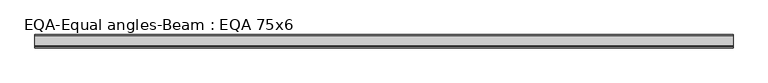
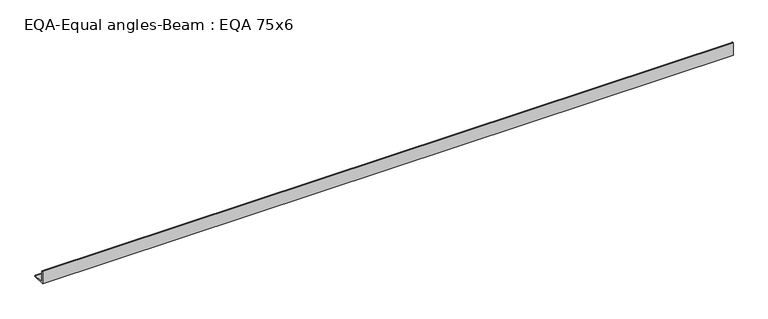
"""IFC4 building model written with IfcOpenShell, lengths in millimetres: beam geometry, EQA-Equal angles-Beam : EQA 75x6."""

from ifc_helpers import new_model, si_unit, point, frame, frame_2d, origin, place, context, project, spatial, polyline, circle_curve, trimmed, segment, composite_curve, outline, extrude, source, transform, mapped, element, save


def eqa_equal_angles_beam_eqa_75x6_217644fe(model_context):
    return source(origin(), model_context, "Body", "SweptSolid", [
        extrude(outline(composite_curve([segment(polyline([(-20.5, -20.5), (-20.5, 54.5), (-19.0, 54.5)]), True, "CONTINUOUS"), segment(trimmed(circle_curve(frame_2d((-19.0, 50.0)), 4.5), [point((-19.0, 54.5))], [point((-14.5, 50.0))], False, "CARTESIAN"), True, "CONTINUOUS"), segment(polyline([(-14.5, 50.0), (-14.5, -5.5)]), True, "CONTINUOUS"), segment(trimmed(circle_curve(frame_2d((-5.5, -5.5)), 9.0), [point((-14.5, -5.5))], [point((-5.5, -14.5))], True, "CARTESIAN"), True, "CONTINUOUS"), segment(polyline([(-5.5, -14.5), (50.0, -14.5)]), True, "CONTINUOUS"), segment(trimmed(circle_curve(frame_2d((50.0, -19.0)), 4.5), [point((50.0, -14.5))], [point((54.5, -19.0))], False, "CARTESIAN"), True, "CONTINUOUS"), segment(polyline([(54.5, -19.0), (54.5, -20.5), (-20.5, -20.5)]), True, "CONTINUOUS")], self_intersect=False)), frame((-1868.412177, 0.0, 0.0), z_axis=(1.0, 0.0, 0.0), x_axis=(0.0, 1.0, 0.0)), (0.0, 0.0, 1.0), 3907.7368374),
    ])


if __name__ == "__main__":
    model = new_model("IFC4")
    model_context = context("Model", 3, world=origin())
    ifc_project = project(units=[si_unit("LENGTHUNIT", "METRE", prefix="MILLI")], contexts=[model_context])
    site = spatial("IfcSite", under=ifc_project)
    building = spatial("IfcBuilding", under=site)
    placement = place(None, origin())
    eqa_equal_angles_beam_eqa_75x6_shape = eqa_equal_angles_beam_eqa_75x6_217644fe(model_context)
    element("IfcBeam", 1, ObjectType="EQA-Equal angles-Beam : EQA 75x6", at=placement, inside=building, context=model_context, shape_type="MappedRepresentation", body=[
        mapped(eqa_equal_angles_beam_eqa_75x6_shape, transform((0.0, 0.0, 0.0), x_axis=(1.0, 0.0, 0.0), y_axis=(0.0, 1.0, 0.0), z_axis=(0.0, 0.0, 1.0))),
    ])
    save(model, "model.ifc")
